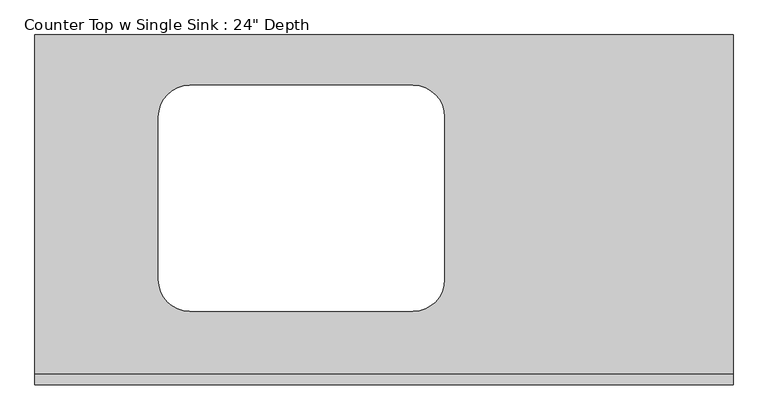
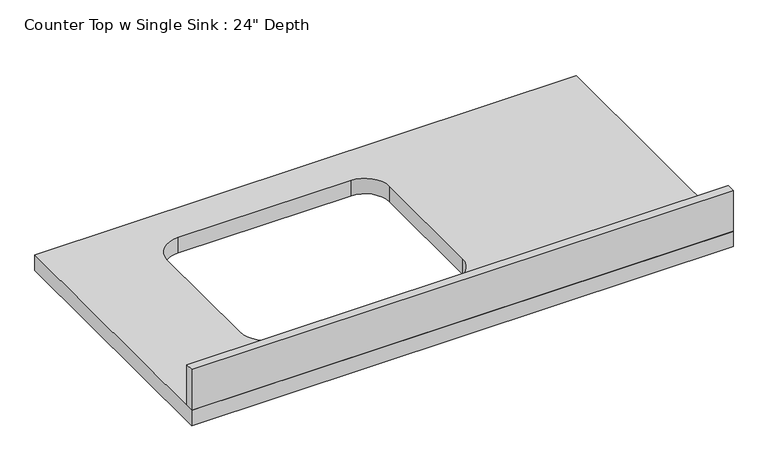
"""IFC4 building model written with IfcOpenShell, lengths in millimetres: furniture geometry."""

from ifc_helpers import new_model, si_unit, point, frame, frame_2d, origin, place, context, project, spatial, polyline, circle_curve, trimmed, segment, composite_curve, outline, extrude, source, transform, mapped, element, save


def furniture_949c2de3(model_context):
    return source(origin(), model_context, "Body", "SweptSolid", [
        extrude(outline(polyline([(67.0432085, 0.0), (-1200.4622951, 0.0), (-1200.4622951, 635.0), (67.0432085, 635.0), (67.0432085, 0.0)]), holes=[composite_curve([segment(polyline([(-976.1205387, 486.2327941), (-976.1205387, 190.5)]), True, "CONTINUOUS"), segment(trimmed(circle_curve(frame_2d((-918.9705387, 190.5)), 57.15), [point((-976.1205387, 190.5))], [point((-918.9705387, 133.35))], True, "CARTESIAN"), True, "CONTINUOUS"), segment(polyline([(-918.9705387, 133.35), (-514.0680022, 133.35)]), True, "CONTINUOUS"), segment(trimmed(circle_curve(frame_2d((-514.0680022, 190.5)), 57.15), [point((-514.0680022, 133.35))], [point((-456.9180022, 190.5))], True, "CARTESIAN"), True, "CONTINUOUS"), segment(polyline([(-456.9180022, 190.5), (-456.9180022, 486.2327941)]), True, "CONTINUOUS"), segment(trimmed(circle_curve(frame_2d((-514.0680022, 486.2327941)), 57.15), [point((-456.9180022, 486.2327941))], [point((-514.0680022, 543.3827941))], True, "CARTESIAN"), True, "CONTINUOUS"), segment(polyline([(-514.0680022, 543.3827941), (-918.9705387, 543.3827941)]), True, "CONTINUOUS"), segment(trimmed(circle_curve(frame_2d((-918.9705387, 486.2327941)), 57.15), [point((-918.9705387, 543.3827941))], [point((-976.1205387, 486.2327941))], True, "CARTESIAN"), True, "CONTINUOUS")], self_intersect=False)]), frame((0.0, 0.0, 876.3), z_axis=(0.0, 0.0, 1.0), x_axis=(1.0, 0.0, 0.0)), (0.0, 0.0, 1.0), 38.1),
        extrude(outline(polyline([(-1200.4622951, 0.0), (-1200.4622951, 19.05), (67.0432085, 19.05), (67.0432085, 0.0), (-1200.4622951, 0.0)])), frame((0.0, 0.0, 914.4), z_axis=(0.0, 0.0, 1.0), x_axis=(1.0, 0.0, 0.0)), (0.0, 0.0, 1.0), 101.6),
    ])


if __name__ == "__main__":
    model = new_model("IFC4")
    model_context = context("Model", 3, world=origin())
    ifc_project = project(units=[si_unit("LENGTHUNIT", "METRE", prefix="MILLI")], contexts=[model_context])
    site = spatial("IfcSite", under=ifc_project)
    building = spatial("IfcBuilding", under=site)
    placement = place(None, origin())
    furniture_shape = furniture_949c2de3(model_context)
    element("IfcFurniture", 1, ObjectType="Counter Top w Single Sink : 24\" Depth", at=placement, inside=building, context=model_context, shape_type="MappedRepresentation", body=[
        mapped(furniture_shape, transform((0.0, 0.0, 0.0), x_axis=(1.0, 0.0, 0.0), y_axis=(0.0, 1.0, 0.0), z_axis=(0.0, 0.0, 1.0))),
    ])
    save(model, "model.ifc")
